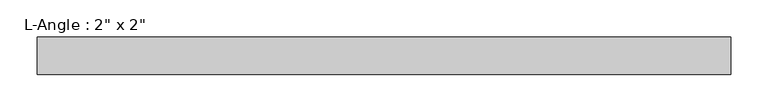
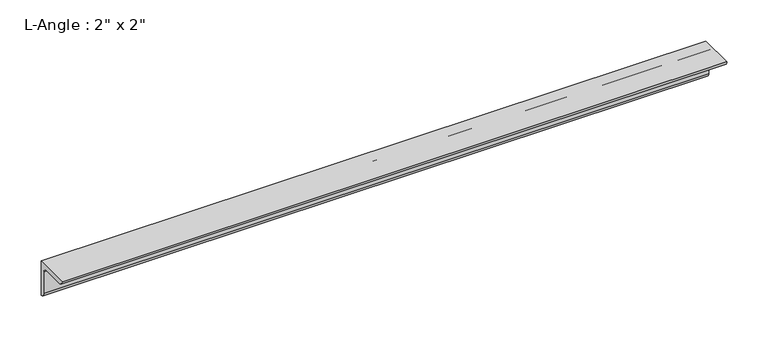
"""IFC4 building model written with IfcOpenShell, lengths in millimetres: beam geometry."""

from ifc_helpers import new_model, si_unit, point, frame, frame_2d, origin, place, context, project, spatial, polyline, circle_curve, trimmed, segment, composite_curve, outline, extrude, source, transform, mapped, element, save


def beam_b46e45ae(model_context):
    return source(origin(), model_context, "Body", "SweptSolid", [
        extrude(outline(composite_curve([segment(polyline([(0.0, 0.0), (0.0, -50.8)]), True, "CONTINUOUS"), segment(trimmed(circle_curve(frame_2d((0.0, -44.45)), 6.35), [point((0.0, -50.8))], [point((-6.35, -44.45))], False, "CARTESIAN"), True, "CONTINUOUS"), segment(polyline([(-6.35, -44.45), (-6.35, -12.7)]), True, "CONTINUOUS"), segment(trimmed(circle_curve(frame_2d((-12.7, -12.7)), 6.35), [point((-6.35, -12.7))], [point((-12.7, -6.35))], True, "CARTESIAN"), True, "CONTINUOUS"), segment(polyline([(-12.7, -6.35), (-44.45, -6.35)]), True, "CONTINUOUS"), segment(trimmed(circle_curve(frame_2d((-44.45, 0.0)), 6.35), [point((-44.45, -6.35))], [point((-50.8, 0.0))], False, "CARTESIAN"), True, "CONTINUOUS"), segment(polyline([(-50.8, 0.0), (0.0, 0.0)]), True, "CONTINUOUS")], self_intersect=False)), frame((-466.291836, 0.0, 0.0), z_axis=(1.0, 0.0, 0.0), x_axis=(0.0, 1.0, 0.0)), (0.0, 0.0, 1.0), 932.583672),
    ])


if __name__ == "__main__":
    model = new_model("IFC4")
    model_context = context("Model", 3, world=origin())
    ifc_project = project(units=[si_unit("LENGTHUNIT", "METRE", prefix="MILLI")], contexts=[model_context])
    site = spatial("IfcSite", under=ifc_project)
    building = spatial("IfcBuilding", under=site)
    placement = place(None, origin())
    beam_shape = beam_b46e45ae(model_context)
    element("IfcBeam", 1, ObjectType="L-Angle : 2\" x 2\"", at=placement, inside=building, context=model_context, shape_type="MappedRepresentation", body=[
        mapped(beam_shape, transform((0.0, 0.0, 0.0), x_axis=(1.0, 0.0, 0.0), y_axis=(0.0, 1.0, 0.0), z_axis=(0.0, 0.0, 1.0))),
    ])
    save(model, "model.ifc")
